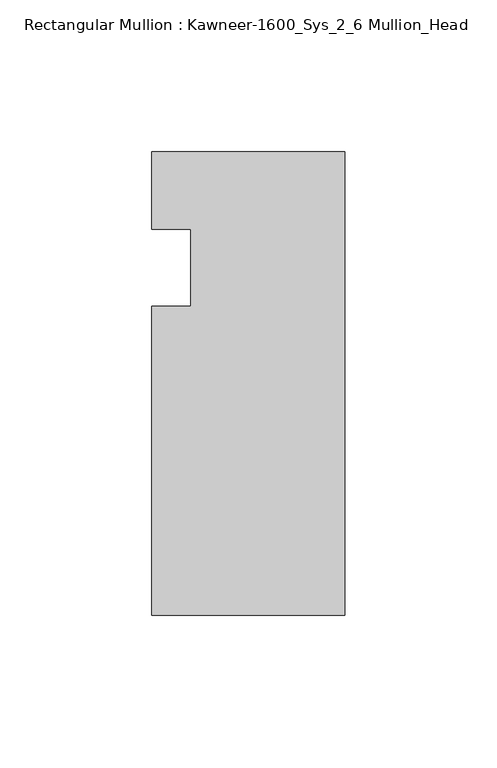
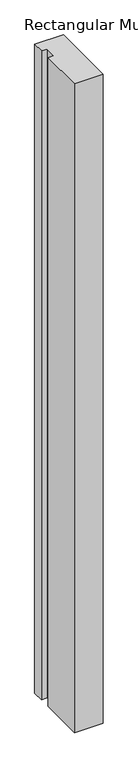
"""IFC4 building model written with IfcOpenShell, lengths in millimetres: member geometry, Rectangular Mullion : Kawneer-1600_Sys_2_6 Mullion_Head."""

import ifcopenshell
import ifcopenshell.guid

model = None  # the IFC model being written
_history = None  # IfcOwnerHistory: only IFC2X3 demands one
_inside = {}  # id of a spatial element -> (the spatial element, [elements in it])
_under = {}  # id of a project, library or spatial element -> (it, [spatial elements below it])
_declared = {}  # id of a project -> (the project, [libraries it declares])
_typed = {}  # id of a type object -> (the type object, [elements of that type])
_made_of = {}  # id of a material, layer set ... -> (it, [elements and type objects made of it])


def new_model(schema):
    """Start an empty IFC model of exactly this schema.

    Asked for "IFC4X3", IfcOpenShell would pick the latest addendum, in which some entities
    have other attributes; the version numbers below select the first issue.
    IFC2X3 requires an IfcOwnerHistory on every rooted entity: one is made here for all.
    """
    global model, _history
    if schema == "IFC4X3":
        model = ifcopenshell.file(schema_version=(4, 3, 0, 0))
    else:
        model = ifcopenshell.file(schema=schema)
    _inside.clear()
    _under.clear()
    _declared.clear()
    _typed.clear()
    _made_of.clear()
    _history = None
    if model.schema == "IFC2X3":
        org = make("IfcOrganization", Name="unknown")
        user = make(
            "IfcPersonAndOrganization",
            ThePerson=make("IfcPerson", FamilyName="unknown"),
            TheOrganization=org,
        )
        app = make(
            "IfcApplication",
            ApplicationDeveloper=org,
            Version="unknown",
            ApplicationFullName="unknown",
            ApplicationIdentifier="unknown",
        )
        _history = make(
            "IfcOwnerHistory",
            OwningUser=user,
            OwningApplication=app,
            ChangeAction="ADDED",
            CreationDate=0,
        )
    return model


def make(cls, **values):
    """One entity of the class cls with the attributes given. An attribute that is None is left unset."""
    return model.create_entity(
        cls, **{name: value for name, value in values.items() if value is not None}
    )


def rooted(cls, **values):
    """An entity with a GlobalId (a new one), such as an element, a storey or a relation."""
    return make(cls, GlobalId=ifcopenshell.guid.new(), OwnerHistory=_history, **values)


def si_unit(unit_type, name, prefix=None):
    """IfcSIUnit, for example si_unit("LENGTHUNIT", "METRE", prefix="MILLI")."""
    return make("IfcSIUnit", UnitType=unit_type, Prefix=prefix, Name=name)


def assignment(units):
    """IfcUnitAssignment: the units of a project."""
    return None if units is None else make("IfcUnitAssignment", Units=units)


def point(xyz):
    """IfcCartesianPoint."""
    return None if xyz is None else make("IfcCartesianPoint", Coordinates=xyz)


def direction(xyz):
    """IfcDirection."""
    return None if xyz is None else make("IfcDirection", DirectionRatios=xyz)


def frame(location, z_axis=None, x_axis=None):
    """IfcAxis2Placement3D, a coordinate frame: its origin and axes. An axis left out is left unset."""
    return make(
        "IfcAxis2Placement3D",
        Location=point(location),
        Axis=direction(z_axis),
        RefDirection=direction(x_axis),
    )


def origin():
    """The frame at (0, 0, 0) with its axes left unset."""
    return frame((0.0, 0.0, 0.0))


def place(relative_to, where):
    """IfcLocalPlacement: puts the frame where relative to a parent placement (None: the world)."""
    return make(
        "IfcLocalPlacement", PlacementRelTo=relative_to, RelativePlacement=where
    )


def context(
    kind, dimensions, precision=None, world=None, true_north=None, identifier=None
):
    """IfcGeometricRepresentationContext, for example the 3D "Model" context."""
    return make(
        "IfcGeometricRepresentationContext",
        ContextIdentifier=identifier,
        ContextType=kind,
        CoordinateSpaceDimension=dimensions,
        Precision=precision,
        WorldCoordinateSystem=world,
        TrueNorth=true_north,
    )


def project(units=None, contexts=None):
    """IfcProject with its units and contexts."""
    return rooted(
        "IfcProject",
        Name="project",
        RepresentationContexts=contexts,
        UnitsInContext=assignment(units),
    )


def spatial(cls, under=None, at=None, **own):
    """A site, building, storey or space (cls), placed at a placement, below another one or the project."""
    s = rooted(cls, ObjectPlacement=at, **own)
    if under is not None:
        _under.setdefault(under.id(), (under, []))[1].append(s)
    return s


def polyline(points):
    """IfcPolyline through the points."""
    return make("IfcPolyline", Points=[point(p) for p in points])


def outline(outer, holes=None, kind="AREA"):
    """IfcArbitraryClosedProfileDef: a profile drawn as a closed curve; with holes, ...WithVoids."""
    if holes is None:
        return make("IfcArbitraryClosedProfileDef", ProfileType=kind, OuterCurve=outer)
    return make(
        "IfcArbitraryProfileDefWithVoids",
        ProfileType=kind,
        OuterCurve=outer,
        InnerCurves=holes,
    )


def extrude(swept, where, along, depth):
    """IfcExtrudedAreaSolid: the profile swept, set in the frame where, extruded along a direction by depth."""
    return make(
        "IfcExtrudedAreaSolid",
        SweptArea=swept,
        Position=where,
        ExtrudedDirection=direction(along),
        Depth=depth,
    )


def shape(context_of_items, identifier, shape_type, items):
    """IfcShapeRepresentation: the items that make up one representation, for example the "Body"."""
    return make(
        "IfcShapeRepresentation",
        ContextOfItems=context_of_items,
        RepresentationIdentifier=identifier,
        RepresentationType=shape_type,
        Items=items,
    )


def source(mapping_origin, context_of_items, identifier, shape_type, items):
    """IfcRepresentationMap: a shape defined once, which mapped items show again and again."""
    return make(
        "IfcRepresentationMap",
        MappingOrigin=mapping_origin,
        MappedRepresentation=shape(context_of_items, identifier, shape_type, items),
    )


def transform(
    local_origin,
    x_axis=None,
    y_axis=None,
    z_axis=None,
    scale=None,
    scale2=None,
    scale3=None,
    uniform=True,
):
    """IfcCartesianTransformationOperator3D, or its non-uniform kind. x_axis, y_axis, z_axis: its Axis1, 2, 3."""
    if uniform:
        return make(
            "IfcCartesianTransformationOperator3D",
            Axis1=direction(x_axis),
            Axis2=direction(y_axis),
            LocalOrigin=point(local_origin),
            Scale=scale,
            Axis3=direction(z_axis),
        )
    return make(
        "IfcCartesianTransformationOperator3DnonUniform",
        Axis1=direction(x_axis),
        Axis2=direction(y_axis),
        LocalOrigin=point(local_origin),
        Scale=scale,
        Axis3=direction(z_axis),
        Scale2=scale2,
        Scale3=scale3,
    )


def mapped(mapping_source, mapping_target):
    """IfcMappedItem: shows the shape of a source again, moved by a transform."""
    return make(
        "IfcMappedItem", MappingSource=mapping_source, MappingTarget=mapping_target
    )


def made_of(thing, what):
    """Note that an element or type object is made of a material, layer set ...; save() writes the relation."""
    if what is not None:
        _made_of.setdefault(what.id(), (what, []))[1].append(thing)
    return thing


def element(
    cls,
    number,
    at=None,
    inside=None,
    cuts=None,
    type_object=None,
    material=None,
    context=None,
    identifier="Body",
    shape_type=None,
    held_by="IfcProductDefinitionShape",
    body=None,
    shapes=None,
    **own,
):
    """One element of the class cls, such as IfcWall. Its Tag is "e" and its number.

    at: its placement. inside: the storey or other place that contains it. cuts: it is an
    opening in that element (IfcRelVoidsElement). A single representation is given by context,
    identifier, shape_type and body (its items); several are given by shapes. held_by: the class
    of the entity that holds the representations. save() writes the other relations.
    """
    e = rooted(cls, Tag="e%d" % number, ObjectPlacement=at, **own)
    if body is not None:
        shapes = [shape(context, identifier, shape_type, body)]
    if shapes is not None:
        e.Representation = make(held_by, Representations=shapes)
    if inside is not None:
        _inside.setdefault(inside.id(), (inside, []))[1].append(e)
    if cuts is not None:
        rooted(
            "IfcRelVoidsElement", RelatingBuildingElement=cuts, RelatedOpeningElement=e
        )
    if type_object is not None:
        _typed.setdefault(type_object.id(), (type_object, []))[1].append(e)
    return made_of(e, material)


def aggregate(whole, parts):
    """IfcRelAggregates: a whole, such as a stair, and the parts it consists of."""
    return rooted("IfcRelAggregates", RelatingObject=whole, RelatedObjects=parts)


def save(model, path):
    """Write the relations noted so far, then the file.

    IfcRelAggregates (storeys below a building ...), IfcRelContainedInSpatialStructure (elements
    in a storey), IfcRelDefinesByType, IfcRelAssociatesMaterial and IfcRelDeclares: one each for
    every whole, place, type object, material and project.
    """
    for whole, parts in _under.values():
        aggregate(whole, parts)
    for where, things in _inside.values():
        rooted(
            "IfcRelContainedInSpatialStructure",
            RelatedElements=things,
            RelatingStructure=where,
        )
    for kind, things in _typed.values():
        rooted("IfcRelDefinesByType", RelatedObjects=things, RelatingType=kind)
    for what, things in _made_of.values():
        rooted("IfcRelAssociatesMaterial", RelatedObjects=things, RelatingMaterial=what)
    for by, libraries in _declared.values():
        rooted("IfcRelDeclares", RelatingContext=by, RelatedDefinitions=libraries)
    model.write(path)


def rectangular_mullion_kawneer_1600_sys_2_6_mullion_head_370eddd3(model_context):
    return source(origin(), model_context, "Body", "SweptSolid", [
        extrude(outline(polyline([(-63.5, -114.3), (-63.5, -12.7), (-50.7982296, -12.7), (-50.7982296, 12.7), (-63.5, 12.7), (-63.5, 38.1), (0.0, 38.1), (0.0, -114.3), (-63.5, -114.3)])), frame((0.0, 0.0, -1524.0), z_axis=(0.0, 0.0, 1.0), x_axis=(1.0, 0.0, 0.0)), (0.0, 0.0, 1.0), 1524.0),
    ])


if __name__ == "__main__":
    model = new_model("IFC4")
    model_context = context("Model", 3, world=origin())
    ifc_project = project(units=[si_unit("LENGTHUNIT", "METRE", prefix="MILLI")], contexts=[model_context])
    site = spatial("IfcSite", under=ifc_project)
    building = spatial("IfcBuilding", under=site)
    placement = place(None, origin())
    rectangular_mullion_kawneer_1600_sys_2_6_mullion_head_shape = rectangular_mullion_kawneer_1600_sys_2_6_mullion_head_370eddd3(model_context)
    element("IfcMember", 1, ObjectType="Rectangular Mullion : Kawneer-1600_Sys_2_6 Mullion_Head", at=placement, inside=building, context=model_context, shape_type="MappedRepresentation", body=[
        mapped(rectangular_mullion_kawneer_1600_sys_2_6_mullion_head_shape, transform((0.0, 0.0, 0.0), x_axis=(1.0, 0.0, 0.0), y_axis=(0.0, 1.0, 0.0), z_axis=(0.0, 0.0, 1.0))),
    ])
    save(model, "model.ifc")
